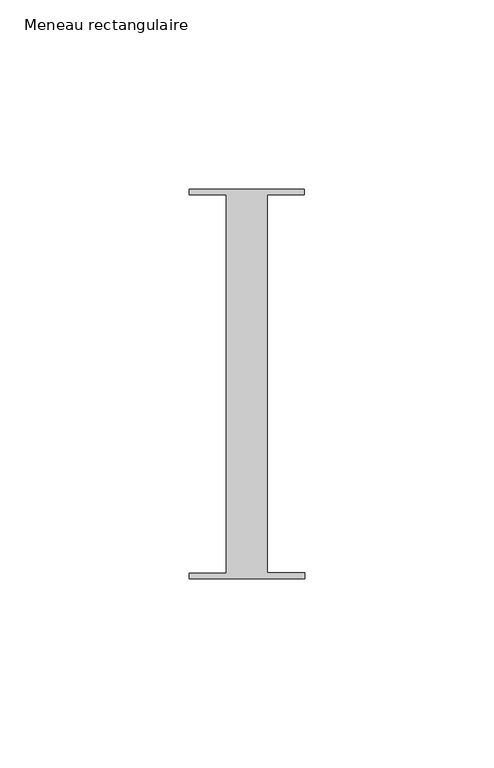
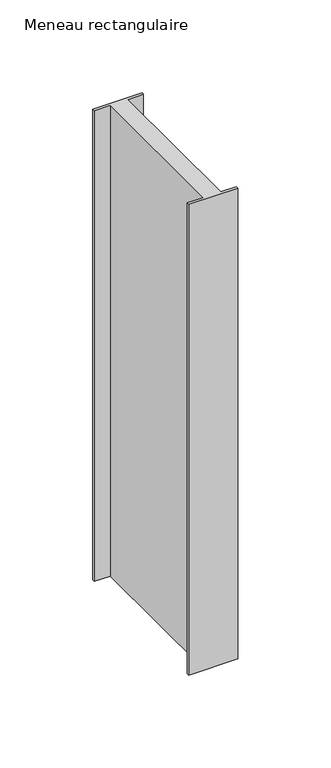
"""IFC4 building model written with IfcOpenShell, lengths in millimetres: member geometry, Meneau rectangulaire."""

from ifc_helpers import new_model, si_unit, frame, origin, place, context, project, spatial, polyline, outline, extrude, source, transform, mapped, element, save


def meneau_rectangulaire_2d7d2a07(model_context):
    return source(origin(), model_context, "Body", "SweptSolid", [
        extrude(outline(polyline([(15.1919193, 51.5152664), (15.1934333, 50.0054494), (5.4028486, 50.0054494), (5.4028486, -49.9846825), (15.2937013, -49.9846825), (15.2952055, -51.4846817), (-15.2047792, -51.5152664), (-15.2062834, -50.0152672), (-5.4194144, -50.0152672), (-5.4194144, 49.9942223), (-15.3065707, 49.9942223), (-15.3080653, 51.4846817), (15.1919193, 51.5152664)])), frame((0.0, 0.0, -309.2113815), z_axis=(0.0, 0.0, 1.0), x_axis=(1.0, 0.0, 0.0)), (0.0, 0.0, 1.0), 309.2113815),
    ])


if __name__ == "__main__":
    model = new_model("IFC4")
    model_context = context("Model", 3, world=origin())
    ifc_project = project(units=[si_unit("LENGTHUNIT", "METRE", prefix="MILLI")], contexts=[model_context])
    site = spatial("IfcSite", under=ifc_project)
    building = spatial("IfcBuilding", under=site)
    placement = place(None, origin())
    meneau_rectangulaire_shape = meneau_rectangulaire_2d7d2a07(model_context)
    element("IfcMember", 1, ObjectType="Meneau rectangulaire", at=placement, inside=building, context=model_context, shape_type="MappedRepresentation", body=[
        mapped(meneau_rectangulaire_shape, transform((0.0, 0.0, 0.0), x_axis=(1.0, 0.0, 0.0), y_axis=(0.0, 1.0, 0.0), z_axis=(0.0, 0.0, 1.0))),
    ])
    save(model, "model.ifc")
